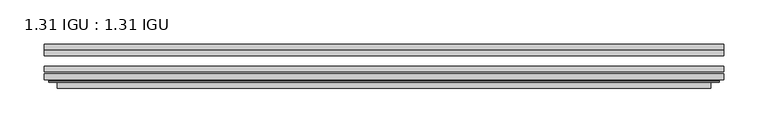
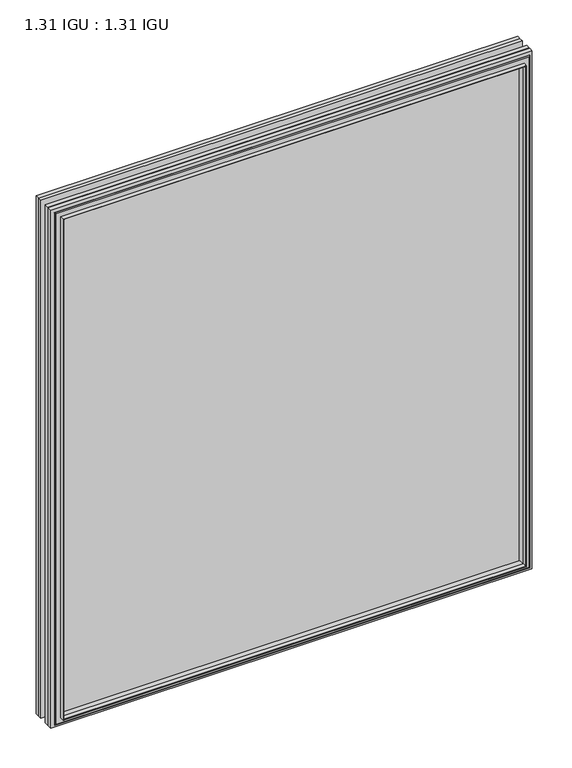
"""IFC4 building model written with IfcOpenShell, lengths in millimetres: plate geometry, 1.31 IGU : 1.31 IGU."""

from ifc_helpers import new_model, si_unit, frame, origin, place, context, project, spatial, polyline, ellipse_curve, outline, extrude, faceted_brep, source, transform, mapped, element, save
from ifc_brep_helpers import plane_surface, cylinder_surface, advanced_brep


def plate_1_31_igu_1_31_igu_c1220d93(model_context):
    return source(origin(), model_context, "Body", "SolidModel", [
        extrude(outline(polyline([(382.6484066, -66.4725937), (382.6484066, -72.8225938), (-382.6342316, -72.8225938), (-382.6342316, -66.4725937), (382.6484066, -66.4725937)])), frame((0.0, 0.0, -14.2875), z_axis=(0.0, 0.0, 1.0), x_axis=(1.0, 0.0, 0.0)), (0.0, 0.0, 1.0), 869.9537979),
        extrude(outline(polyline([(-382.6342316, -81.4585938), (-382.6342316, -75.1080887), (382.6484066, -75.1080887), (382.6484066, -81.4585938), (-382.6342316, -81.4585938)])), frame((0.0, 0.0, -14.2875), z_axis=(0.0, 0.0, 1.0), x_axis=(1.0, 0.0, 0.0)), (0.0, 0.0, 1.0), 869.9537979),
        extrude(outline(polyline([(382.6484066, -48.1337937), (382.6484066, -54.4837938), (-382.6342316, -54.4837938), (-382.6342316, -48.1337937), (382.6484066, -48.1337937)])), frame((0.0, 0.0, -14.2875), z_axis=(0.0, 0.0, 1.0), x_axis=(1.0, 0.0, 0.0)), (0.0, 0.0, 1.0), 869.9537979),
        faceted_brep([(-368.3414218, -41.7837938, 841.3696902), (-367.4489875, -48.1337937, 840.4772559), (-367.4489875, -48.1337937, 0.8977441), (-368.3414218, -41.7837938, 0.0053098), (-382.6469316, -48.1337937, 855.6752), (-382.6469316, -41.7837938, 855.6752), (-382.6469316, -41.7837938, -14.3002), (-382.6469316, -48.1337937, -14.3002), (367.4489875, -48.1337937, 0.8977441), (368.3414218, -41.7837938, 0.0053098), (382.6469316, -41.7837938, -14.3002), (382.6469316, -48.1337937, -14.3002), (367.4489875, -48.1337937, 840.4772559), (368.3414218, -41.7837938, 841.3696902), (382.6469316, -41.7837938, 855.6752), (382.6469316, -48.1337937, 855.6752)], [[[0, 1, 2, 3]], [[4, 5, 6, 7]], [[3, 2, 8, 9]], [[7, 6, 10, 11]], [[9, 8, 12, 13]], [[11, 10, 14, 15]], [[7, 11, 15, 4], [1, 12, 8, 2]], [[13, 12, 1, 0]], [[5, 14, 10, 6], [3, 9, 13, 0]], [[15, 14, 5, 4]]]),
        advanced_brep(
        [(-376.7453665, -84.6335938, 849.7736349), (-377.747156, -83.4482604, 850.7754244), (-377.747156, -83.4482604, -9.4004244), (-376.7453665, -84.6335938, -8.3986349), (-368.3413101, -91.0948368, 841.3695784), (-368.3413101, -84.6335938, 841.3695784), (-368.3413101, -84.6335938, 0.0054216), (-368.3413101, -91.0948368, 0.0054216), (-367.3506533, -90.6958619, 840.3789217), (-367.3506533, -90.6958619, 0.9960783), (-366.3186255, -85.2986307, 839.3468939), (-366.3186255, -85.2986307, 2.0281061), (-361.3837937, -81.4585938, 834.4120621), (-361.3837937, -81.4585938, 6.9629379), (-375.3929507, -81.4585938, 848.421219), (-375.3929507, -81.4585938, -7.046219), (377.747156, -83.4482604, -9.4004244), (376.7453665, -84.6335938, -8.3986349), (368.3413101, -84.6335938, 0.0054216), (368.3413101, -91.0948368, 0.0054216), (367.3506533, -90.6958619, 0.9960783), (366.3186255, -85.2986307, 2.0281061), (361.3837937, -81.4585938, 6.9629379), (375.3929507, -81.4585938, -7.046219), (377.747156, -83.4482604, 850.7754244), (376.7453665, -84.6335938, 849.7736349), (368.3413101, -84.6335938, 841.3695784), (368.3413101, -91.0948368, 841.3695784), (367.3506533, -90.6958619, 840.3789217), (366.3186255, -85.2986307, 839.3468939), (361.3837937, -81.4585938, 834.4120621), (375.3929507, -81.4585938, 848.421219)],
        [
            (0, 1, ellipse_curve(frame((-376.7453665, -83.6175938, 849.7736349), z_axis=(-0.7071067811865475, 0.0, -0.7071067811865475), x_axis=(-0.7071067811865474, 0.0, 0.7071067811865476)), 1.436841, 1.016)),
            (1, 2),
            (2, 3, ellipse_curve(frame((-376.7453665, -83.6175938, -8.3986349), z_axis=(-0.7071067811865475, 0.0, 0.7071067811865475), x_axis=(0.7071067811865474, 0.0, 0.7071067811865476)), 1.436841, 1.016)),
            (3, 0),
            (4, 5),
            (5, 6),
            (6, 7),
            (7, 4),
            (8, 4, ellipse_curve(frame((-367.9743535, -90.5766015, 841.0026219), z_axis=(-0.7071067811865475, 0.0, -0.7071067811865475), x_axis=(-0.7071067811865474, 0.0, 0.7071067811865476)), 0.8980256, 0.635)),
            (7, 9, ellipse_curve(frame((-367.9743535, -90.5766015, 0.3723781), z_axis=(-0.7071067811865475, 0.0, 0.7071067811865475), x_axis=(0.7071067811865474, 0.0, 0.7071067811865476)), 0.8980256, 0.635)),
            (9, 8),
            (10, 8),
            (9, 11),
            (11, 10),
            (12, 10),
            (11, 13),
            (13, 12),
            (1, 14, ellipse_curve(frame((-375.3929507, -83.8461938, 848.421219), z_axis=(-0.7071067811865475, 0.0, -0.7071067811865475), x_axis=(-0.7071067811865474, 0.0, 0.7071067811865476)), 3.3765763, 2.3876)),
            (14, 15),
            (15, 2, ellipse_curve(frame((-375.3929507, -83.8461938, -7.046219), z_axis=(-0.7071067811865475, 0.0, 0.7071067811865475), x_axis=(0.7071067811865474, 0.0, 0.7071067811865476)), 3.3765763, 2.3876)),
            (2, 16),
            (16, 17, ellipse_curve(frame((376.7453665, -83.6175938, -8.3986349), z_axis=(-0.7071067811865475, 0.0, -0.7071067811865475), x_axis=(-0.7071067811865476, 0.0, 0.7071067811865474)), 1.436841, 1.016)),
            (17, 3),
            (6, 18),
            (18, 19),
            (19, 7),
            (19, 20, ellipse_curve(frame((367.9743535, -90.5766015, 0.3723781), z_axis=(-0.7071067811865475, 0.0, -0.7071067811865475), x_axis=(-0.7071067811865476, 0.0, 0.7071067811865474)), 0.8980256, 0.635)),
            (20, 9),
            (20, 21),
            (21, 11),
            (21, 22),
            (22, 13),
            (15, 23),
            (23, 16, ellipse_curve(frame((375.3929507, -83.8461938, -7.046219), z_axis=(-0.7071067811865475, 0.0, -0.7071067811865475), x_axis=(-0.7071067811865476, 0.0, 0.7071067811865474)), 3.3765763, 2.3876)),
            (16, 24),
            (24, 25, ellipse_curve(frame((376.7453665, -83.6175938, 849.7736349), z_axis=(0.7071067811865475, 0.0, -0.7071067811865475), x_axis=(-0.7071067811865474, 0.0, -0.7071067811865476)), 1.436841, 1.016)),
            (25, 17),
            (18, 26),
            (26, 27),
            (27, 19),
            (27, 28, ellipse_curve(frame((367.9743535, -90.5766015, 841.0026219), z_axis=(0.7071067811865475, 0.0, -0.7071067811865475), x_axis=(-0.7071067811865474, 0.0, -0.7071067811865476)), 0.8980256, 0.635)),
            (28, 20),
            (28, 29),
            (29, 21),
            (29, 30),
            (30, 22),
            (23, 31),
            (31, 24, ellipse_curve(frame((375.3929507, -83.8461938, 848.421219), z_axis=(0.7071067811865475, 0.0, -0.7071067811865475), x_axis=(-0.7071067811865474, 0.0, -0.7071067811865476)), 3.3765763, 2.3876)),
            (24, 1),
            (0, 25),
            (5, 26),
            (4, 27),
            (8, 28),
            (10, 29),
            (12, 30),
            (14, 31),
        ],
        [
            cylinder_surface(frame((-376.7453665, -83.6175938, 873.125), z_axis=(0.0, 0.0, 1.0), x_axis=(-1.0, 0.0, 0.0)), 1.016),
            plane_surface(frame((-368.3413101, -84.6335938, 841.3695784), z_axis=(-1.0, 0.0, 0.0), x_axis=(0.0, 0.0, -1.0))),
            cylinder_surface(frame((-367.9743535, -90.5766015, 873.125), z_axis=(0.0, 0.0, 1.0), x_axis=(-1.0, 0.0, 0.0)), 0.635),
            plane_surface(frame((-367.3506533, -90.6958619, 840.3789217), z_axis=(0.9822050625507717, -0.1878116479338675, 0.0), x_axis=(0.0, 0.0, -1.0))),
            plane_surface(frame((-366.3186255, -85.2986307, 839.3468939), z_axis=(0.6141233906514726, -0.7892100234124875, 0.0), x_axis=(0.0, 0.0, -1.0))),
            cylinder_surface(frame((-375.3929507, -83.8461938, 873.125), z_axis=(0.0, 0.0, 1.0), x_axis=(-1.0, 0.0, 0.0)), 2.3876),
            cylinder_surface(frame((-400.0967316, -83.6175938, -8.3986349), z_axis=(-1.0, 0.0, 0.0), x_axis=(0.0, 0.0, -1.0)), 1.016),
            plane_surface(frame((-368.3413101, -84.6335938, 0.0054216), z_axis=(0.0, 0.0, -1.0), x_axis=(1.0, 0.0, 0.0))),
            cylinder_surface(frame((-400.0967316, -90.5766015, 0.3723781), z_axis=(-1.0, 0.0, 0.0), x_axis=(0.0, 0.0, -1.0)), 0.635),
            plane_surface(frame((-367.3506533, -90.6958619, 0.9960783), z_axis=(0.0, -0.18781164793386435, 0.9822050625507722), x_axis=(1.0, 0.0, 0.0))),
            plane_surface(frame((-366.3186255, -85.2986307, 2.0281061), z_axis=(0.0, -0.7892100234124855, 0.6141233906514751), x_axis=(1.0, 0.0, 0.0))),
            cylinder_surface(frame((-400.0967316, -83.8461938, -7.046219), z_axis=(-1.0, 0.0, 0.0), x_axis=(0.0, 0.0, -1.0)), 2.3876),
            cylinder_surface(frame((376.7453665, -83.6175938, -31.75), z_axis=(0.0, 0.0, -1.0), x_axis=(1.0, 0.0, 0.0)), 1.016),
            plane_surface(frame((368.3413101, -84.6335938, 0.0054216), z_axis=(1.0, 0.0, 0.0), x_axis=(0.0, 0.0, 1.0))),
            cylinder_surface(frame((367.9743535, -90.5766015, -31.75), z_axis=(0.0, 0.0, -1.0), x_axis=(1.0, 0.0, 0.0)), 0.635),
            plane_surface(frame((367.3506533, -90.6958619, 0.9960783), z_axis=(-0.9822050625507728, -0.18781164793386118, 0.0), x_axis=(0.0, 0.0, 1.0))),
            plane_surface(frame((366.3186255, -85.2986307, 2.0281061), z_axis=(-0.6141233906514777, -0.7892100234124835, 0.0), x_axis=(0.0, 0.0, 1.0))),
            cylinder_surface(frame((375.3929507, -83.8461938, -31.75), z_axis=(0.0, 0.0, -1.0), x_axis=(1.0, 0.0, 0.0)), 2.3876),
            cylinder_surface(frame((400.0967316, -83.6175938, 849.7736349), z_axis=(1.0, 0.0, 0.0), x_axis=(0.0, 0.0, 1.0)), 1.016),
            plane_surface(frame((376.7453665, -84.6335938, 849.7736349), z_axis=(0.0, -1.0, 0.0), x_axis=(-1.0, 0.0, 0.0))),
            plane_surface(frame((368.3413101, -84.6335938, 841.3695784), z_axis=(0.0, 0.0, 1.0), x_axis=(-1.0, 0.0, 0.0))),
            cylinder_surface(frame((400.0967316, -90.5766015, 841.0026219), z_axis=(1.0, 0.0, 0.0), x_axis=(0.0, 0.0, 1.0)), 0.635),
            plane_surface(frame((367.3506533, -90.6958619, 840.3789217), z_axis=(0.0, -0.18781164793386435, -0.9822050625507722), x_axis=(-1.0, 0.0, 0.0))),
            plane_surface(frame((366.3186255, -85.2986307, 839.3468939), z_axis=(0.0, -0.7892100234124855, -0.6141233906514751), x_axis=(-1.0, 0.0, 0.0))),
            plane_surface(frame((361.3837937, -81.4585938, 834.4120621), z_axis=(0.0, 1.0, 0.0), x_axis=(-1.0, 0.0, 0.0))),
            cylinder_surface(frame((400.0967316, -83.8461938, 848.421219), z_axis=(1.0, 0.0, 0.0), x_axis=(0.0, 0.0, 1.0)), 2.3876),
        ],
        [
            (0, [[1, 2, 3, 4]]),
            (1, [[5, 6, 7, 8]]),
            (2, [[9, -8, 10, 11]]),
            (3, [[12, -11, 13, 14]]),
            (4, [[15, -14, 16, 17]]),
            (5, [[18, 19, 20, -2]]),
            (6, [[-3, 21, 22, 23]]),
            (7, [[-7, 24, 25, 26]]),
            (8, [[-10, -26, 27, 28]]),
            (9, [[-13, -28, 29, 30]]),
            (10, [[-16, -30, 31, 32]]),
            (11, [[-20, 33, 34, -21]]),
            (12, [[-22, 35, 36, 37]]),
            (13, [[-25, 38, 39, 40]]),
            (14, [[-27, -40, 41, 42]]),
            (15, [[-29, -42, 43, 44]]),
            (16, [[-31, -44, 45, 46]]),
            (17, [[-34, 47, 48, -35]]),
            (18, [[-36, 49, -1, 50]]),
            (19, [[-23, -37, -50, -4], [51, -38, -24, -6]]),
            (20, [[-39, -51, -5, 52]]),
            (21, [[-41, -52, -9, 53]]),
            (22, [[-43, -53, -12, 54]]),
            (23, [[-45, -54, -15, 55]]),
            (24, [[56, -47, -33, -19], [-32, -46, -55, -17]]),
            (25, [[-48, -56, -18, -49]]),
        ],
    ),
    ])


if __name__ == "__main__":
    model = new_model("IFC4")
    model_context = context("Model", 3, world=origin())
    ifc_project = project(units=[si_unit("LENGTHUNIT", "METRE", prefix="MILLI")], contexts=[model_context])
    site = spatial("IfcSite", under=ifc_project)
    building = spatial("IfcBuilding", under=site)
    placement = place(None, origin())
    plate_1_31_igu_1_31_igu_shape = plate_1_31_igu_1_31_igu_c1220d93(model_context)
    element("IfcPlate", 1, ObjectType="1.31 IGU : 1.31 IGU", at=placement, inside=building, context=model_context, shape_type="MappedRepresentation", body=[
        mapped(plate_1_31_igu_1_31_igu_shape, transform((0.0, 0.0, 0.0), x_axis=(1.0, 0.0, 0.0), y_axis=(0.0, 1.0, 0.0), z_axis=(0.0, 0.0, 1.0))),
    ])
    save(model, "model.ifc")
